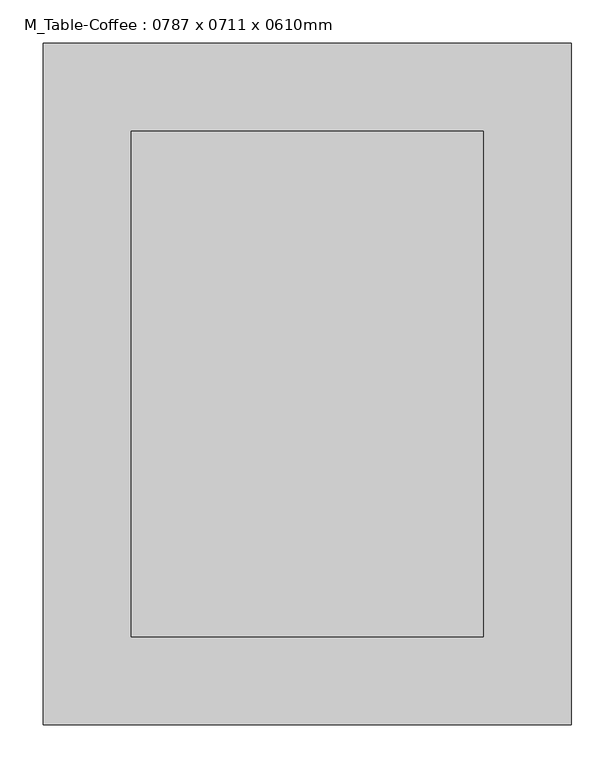
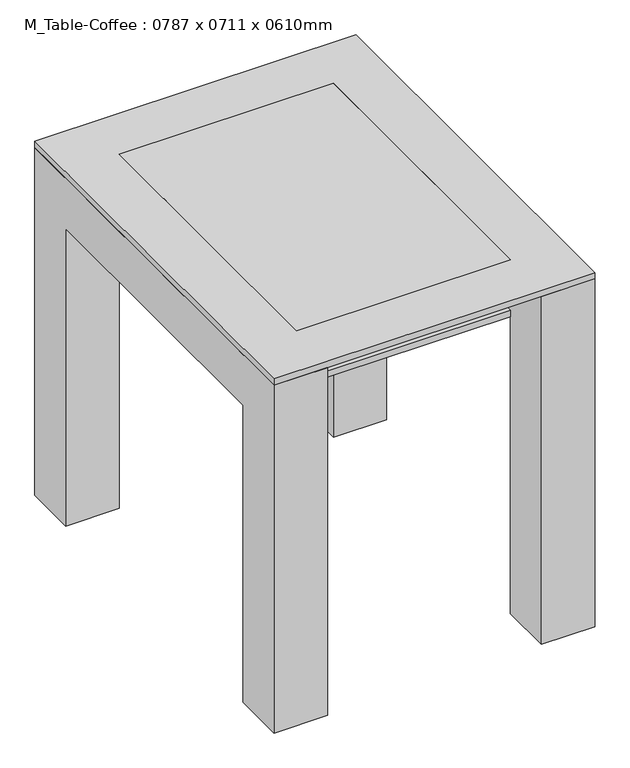
"""IFC4 building model written with IfcOpenShell, lengths in millimetres: furniture geometry, M_Table-Coffee : 0787 x 0711 x 0610mm."""

import ifcopenshell
import ifcopenshell.guid

model = None  # the IFC model being written
_history = None  # IfcOwnerHistory: only IFC2X3 demands one
_inside = {}  # id of a spatial element -> (the spatial element, [elements in it])
_under = {}  # id of a project, library or spatial element -> (it, [spatial elements below it])
_declared = {}  # id of a project -> (the project, [libraries it declares])
_typed = {}  # id of a type object -> (the type object, [elements of that type])
_made_of = {}  # id of a material, layer set ... -> (it, [elements and type objects made of it])


def new_model(schema):
    """Start an empty IFC model of exactly this schema.

    Asked for "IFC4X3", IfcOpenShell would pick the latest addendum, in which some entities
    have other attributes; the version numbers below select the first issue.
    IFC2X3 requires an IfcOwnerHistory on every rooted entity: one is made here for all.
    """
    global model, _history
    if schema == "IFC4X3":
        model = ifcopenshell.file(schema_version=(4, 3, 0, 0))
    else:
        model = ifcopenshell.file(schema=schema)
    _inside.clear()
    _under.clear()
    _declared.clear()
    _typed.clear()
    _made_of.clear()
    _history = None
    if model.schema == "IFC2X3":
        org = make("IfcOrganization", Name="unknown")
        user = make(
            "IfcPersonAndOrganization",
            ThePerson=make("IfcPerson", FamilyName="unknown"),
            TheOrganization=org,
        )
        app = make(
            "IfcApplication",
            ApplicationDeveloper=org,
            Version="unknown",
            ApplicationFullName="unknown",
            ApplicationIdentifier="unknown",
        )
        _history = make(
            "IfcOwnerHistory",
            OwningUser=user,
            OwningApplication=app,
            ChangeAction="ADDED",
            CreationDate=0,
        )
    return model


def make(cls, **values):
    """One entity of the class cls with the attributes given. An attribute that is None is left unset."""
    return model.create_entity(
        cls, **{name: value for name, value in values.items() if value is not None}
    )


def rooted(cls, **values):
    """An entity with a GlobalId (a new one), such as an element, a storey or a relation."""
    return make(cls, GlobalId=ifcopenshell.guid.new(), OwnerHistory=_history, **values)


def si_unit(unit_type, name, prefix=None):
    """IfcSIUnit, for example si_unit("LENGTHUNIT", "METRE", prefix="MILLI")."""
    return make("IfcSIUnit", UnitType=unit_type, Prefix=prefix, Name=name)


def assignment(units):
    """IfcUnitAssignment: the units of a project."""
    return None if units is None else make("IfcUnitAssignment", Units=units)


def point(xyz):
    """IfcCartesianPoint."""
    return None if xyz is None else make("IfcCartesianPoint", Coordinates=xyz)


def direction(xyz):
    """IfcDirection."""
    return None if xyz is None else make("IfcDirection", DirectionRatios=xyz)


def frame(location, z_axis=None, x_axis=None):
    """IfcAxis2Placement3D, a coordinate frame: its origin and axes. An axis left out is left unset."""
    return make(
        "IfcAxis2Placement3D",
        Location=point(location),
        Axis=direction(z_axis),
        RefDirection=direction(x_axis),
    )


def origin():
    """The frame at (0, 0, 0) with its axes left unset."""
    return frame((0.0, 0.0, 0.0))


def place(relative_to, where):
    """IfcLocalPlacement: puts the frame where relative to a parent placement (None: the world)."""
    return make(
        "IfcLocalPlacement", PlacementRelTo=relative_to, RelativePlacement=where
    )


def context(
    kind, dimensions, precision=None, world=None, true_north=None, identifier=None
):
    """IfcGeometricRepresentationContext, for example the 3D "Model" context."""
    return make(
        "IfcGeometricRepresentationContext",
        ContextIdentifier=identifier,
        ContextType=kind,
        CoordinateSpaceDimension=dimensions,
        Precision=precision,
        WorldCoordinateSystem=world,
        TrueNorth=true_north,
    )


def project(units=None, contexts=None):
    """IfcProject with its units and contexts."""
    return rooted(
        "IfcProject",
        Name="project",
        RepresentationContexts=contexts,
        UnitsInContext=assignment(units),
    )


def spatial(cls, under=None, at=None, **own):
    """A site, building, storey or space (cls), placed at a placement, below another one or the project."""
    s = rooted(cls, ObjectPlacement=at, **own)
    if under is not None:
        _under.setdefault(under.id(), (under, []))[1].append(s)
    return s


def polyline(points):
    """IfcPolyline through the points."""
    return make("IfcPolyline", Points=[point(p) for p in points])


def outline(outer, holes=None, kind="AREA"):
    """IfcArbitraryClosedProfileDef: a profile drawn as a closed curve; with holes, ...WithVoids."""
    if holes is None:
        return make("IfcArbitraryClosedProfileDef", ProfileType=kind, OuterCurve=outer)
    return make(
        "IfcArbitraryProfileDefWithVoids",
        ProfileType=kind,
        OuterCurve=outer,
        InnerCurves=holes,
    )


def extrude(swept, where, along, depth):
    """IfcExtrudedAreaSolid: the profile swept, set in the frame where, extruded along a direction by depth."""
    return make(
        "IfcExtrudedAreaSolid",
        SweptArea=swept,
        Position=where,
        ExtrudedDirection=direction(along),
        Depth=depth,
    )


def shape(context_of_items, identifier, shape_type, items):
    """IfcShapeRepresentation: the items that make up one representation, for example the "Body"."""
    return make(
        "IfcShapeRepresentation",
        ContextOfItems=context_of_items,
        RepresentationIdentifier=identifier,
        RepresentationType=shape_type,
        Items=items,
    )


def source(mapping_origin, context_of_items, identifier, shape_type, items):
    """IfcRepresentationMap: a shape defined once, which mapped items show again and again."""
    return make(
        "IfcRepresentationMap",
        MappingOrigin=mapping_origin,
        MappedRepresentation=shape(context_of_items, identifier, shape_type, items),
    )


def transform(
    local_origin,
    x_axis=None,
    y_axis=None,
    z_axis=None,
    scale=None,
    scale2=None,
    scale3=None,
    uniform=True,
):
    """IfcCartesianTransformationOperator3D, or its non-uniform kind. x_axis, y_axis, z_axis: its Axis1, 2, 3."""
    if uniform:
        return make(
            "IfcCartesianTransformationOperator3D",
            Axis1=direction(x_axis),
            Axis2=direction(y_axis),
            LocalOrigin=point(local_origin),
            Scale=scale,
            Axis3=direction(z_axis),
        )
    return make(
        "IfcCartesianTransformationOperator3DnonUniform",
        Axis1=direction(x_axis),
        Axis2=direction(y_axis),
        LocalOrigin=point(local_origin),
        Scale=scale,
        Axis3=direction(z_axis),
        Scale2=scale2,
        Scale3=scale3,
    )


def mapped(mapping_source, mapping_target):
    """IfcMappedItem: shows the shape of a source again, moved by a transform."""
    return make(
        "IfcMappedItem", MappingSource=mapping_source, MappingTarget=mapping_target
    )


def made_of(thing, what):
    """Note that an element or type object is made of a material, layer set ...; save() writes the relation."""
    if what is not None:
        _made_of.setdefault(what.id(), (what, []))[1].append(thing)
    return thing


def element(
    cls,
    number,
    at=None,
    inside=None,
    cuts=None,
    type_object=None,
    material=None,
    context=None,
    identifier="Body",
    shape_type=None,
    held_by="IfcProductDefinitionShape",
    body=None,
    shapes=None,
    **own,
):
    """One element of the class cls, such as IfcWall. Its Tag is "e" and its number.

    at: its placement. inside: the storey or other place that contains it. cuts: it is an
    opening in that element (IfcRelVoidsElement). A single representation is given by context,
    identifier, shape_type and body (its items); several are given by shapes. held_by: the class
    of the entity that holds the representations. save() writes the other relations.
    """
    e = rooted(cls, Tag="e%d" % number, ObjectPlacement=at, **own)
    if body is not None:
        shapes = [shape(context, identifier, shape_type, body)]
    if shapes is not None:
        e.Representation = make(held_by, Representations=shapes)
    if inside is not None:
        _inside.setdefault(inside.id(), (inside, []))[1].append(e)
    if cuts is not None:
        rooted(
            "IfcRelVoidsElement", RelatingBuildingElement=cuts, RelatedOpeningElement=e
        )
    if type_object is not None:
        _typed.setdefault(type_object.id(), (type_object, []))[1].append(e)
    return made_of(e, material)


def aggregate(whole, parts):
    """IfcRelAggregates: a whole, such as a stair, and the parts it consists of."""
    return rooted("IfcRelAggregates", RelatingObject=whole, RelatedObjects=parts)


def save(model, path):
    """Write the relations noted so far, then the file.

    IfcRelAggregates (storeys below a building ...), IfcRelContainedInSpatialStructure (elements
    in a storey), IfcRelDefinesByType, IfcRelAssociatesMaterial and IfcRelDeclares: one each for
    every whole, place, type object, material and project.
    """
    for whole, parts in _under.values():
        aggregate(whole, parts)
    for where, things in _inside.values():
        rooted(
            "IfcRelContainedInSpatialStructure",
            RelatedElements=things,
            RelatingStructure=where,
        )
    for kind, things in _typed.values():
        rooted("IfcRelDefinesByType", RelatedObjects=things, RelatingType=kind)
    for what, things in _made_of.values():
        rooted("IfcRelAssociatesMaterial", RelatedObjects=things, RelatingMaterial=what)
    for by, libraries in _declared.values():
        rooted("IfcRelDeclares", RelatingContext=by, RelatedDefinitions=libraries)
    model.write(path)


def m_table_coffee_0787_x_0711_x_0610mm_c318b083(model_context):
    return source(origin(), model_context, "Body", "SweptSolid", [
        extrude(outline(polyline([(221.6657667, 387.1110778), (221.6657667, -196.6889222), (-185.1342333, -196.6889222), (-185.1342333, 387.1110778), (221.6657667, 387.1110778)])), frame((0.0, 0.0, 596.7), z_axis=(0.0, 0.0, 1.0), x_axis=(1.0, 0.0, 0.0)), (0.0, 0.0, 1.0), 12.7),
        extrude(outline(polyline([(488.7110778, 0.0), (387.1110778, 0.0), (387.1110778, 596.7), (-196.6889222, 596.7), (-196.6889222, 0.0), (-298.2889222, 0.0), (-298.2889222, 698.3), (488.7110778, 698.3), (488.7110778, 0.0)])), frame((221.6657667, 0.0, 0.0), z_axis=(1.0, 0.0, 0.0), x_axis=(0.0, 1.0, 0.0)), (0.0, 0.0, 1.0), 101.6),
        extrude(outline(polyline([(488.7110778, 698.3), (488.7110778, 0.0), (387.1110778, 0.0), (387.1110778, 596.7), (-196.6889222, 596.7), (-196.6889222, 0.0), (-298.2889222, 0.0), (-298.2889222, 698.3), (488.7110778, 698.3)])), frame((-286.7342333, 0.0, 0.0), z_axis=(1.0, 0.0, 0.0), x_axis=(0.0, 1.0, 0.0)), (0.0, 0.0, 1.0), 101.6),
        extrude(outline(polyline([(221.6657667, 387.1110778), (221.6657667, -196.6889222), (-185.1342333, -196.6889222), (-185.1342333, 387.1110778), (221.6657667, 387.1110778)])), frame((0.0, 0.0, 698.3), z_axis=(0.0, 0.0, 1.0), x_axis=(1.0, 0.0, 0.0)), (0.0, 0.0, 1.0), 12.7),
        extrude(outline(polyline([(323.2657667, 488.7110778), (323.2657667, -298.2889222), (-286.7342333, -298.2889222), (-286.7342333, 488.7110778), (323.2657667, 488.7110778)]), holes=[polyline([(221.6657667, 387.1110778), (-185.1342333, 387.1110778), (-185.1342333, -196.6889222), (221.6657667, -196.6889222), (221.6657667, 387.1110778)])]), frame((0.0, 0.0, 698.3), z_axis=(0.0, 0.0, 1.0), x_axis=(1.0, 0.0, 0.0)), (0.0, 0.0, 1.0), 12.7),
    ])


if __name__ == "__main__":
    model = new_model("IFC4")
    model_context = context("Model", 3, world=origin())
    ifc_project = project(units=[si_unit("LENGTHUNIT", "METRE", prefix="MILLI")], contexts=[model_context])
    site = spatial("IfcSite", under=ifc_project)
    building = spatial("IfcBuilding", under=site)
    placement = place(None, origin())
    m_table_coffee_0787_x_0711_x_0610mm_shape = m_table_coffee_0787_x_0711_x_0610mm_c318b083(model_context)
    element("IfcFurniture", 1, ObjectType="M_Table-Coffee : 0787 x 0711 x 0610mm", at=placement, inside=building, context=model_context, shape_type="MappedRepresentation", body=[
        mapped(m_table_coffee_0787_x_0711_x_0610mm_shape, transform((0.0, 0.0, 0.0), x_axis=(1.0, 0.0, 0.0), y_axis=(0.0, 1.0, 0.0), z_axis=(0.0, 0.0, 1.0))),
    ])
    save(model, "model.ifc")
